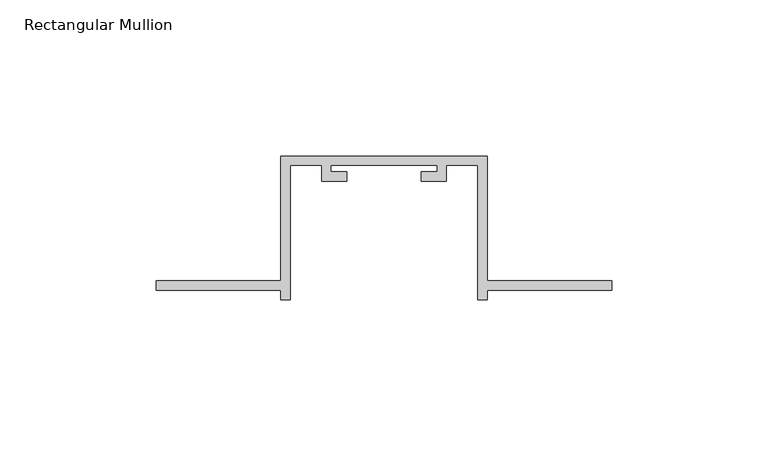
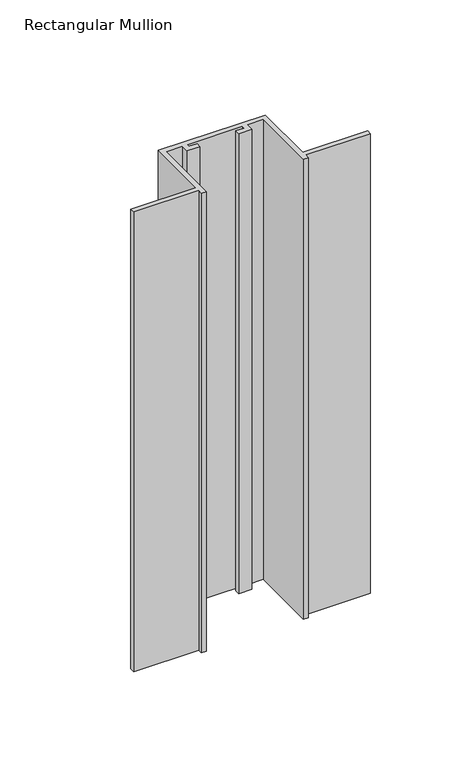
"""IFC4 building model written with IfcOpenShell, lengths in millimetres: member geometry, Rectangular Mullion."""

from ifc_helpers import new_model, si_unit, frame, origin, place, context, project, spatial, polyline, outline, extrude, source, transform, mapped, element, save


def rectangular_mullion_3ff636c8(model_context):
    return source(origin(), model_context, "Body", "SweptSolid", [
        extrude(outline(polyline([(-40.0, -132.0), (-40.0, -135.0), (-43.0, -135.0), (-43.0, -92.0), (-53.0, -92.0), (-53.0, -97.0), (-61.0, -97.0), (-61.0, -94.0), (-56.0, -94.0), (-56.0, -92.0), (-90.0, -92.0), (-90.0, -94.0), (-85.0, -94.0), (-85.0, -97.0), (-93.0, -97.0), (-93.0, -92.0), (-103.0, -92.0), (-103.0, -135.0), (-106.0, -135.0), (-106.0, -132.0), (-146.0, -132.0), (-146.0, -129.0), (-106.0, -129.0), (-106.0, -89.0), (-40.0, -89.0), (-40.0, -129.0), (0.0, -129.0), (0.0, -132.0), (-40.0, -132.0)])), frame((0.0, 0.0, -300.0), z_axis=(0.0, 0.0, 1.0), x_axis=(1.0, 0.0, 0.0)), (0.0, 0.0, 1.0), 300.0),
    ])


if __name__ == "__main__":
    model = new_model("IFC4")
    model_context = context("Model", 3, world=origin())
    ifc_project = project(units=[si_unit("LENGTHUNIT", "METRE", prefix="MILLI")], contexts=[model_context])
    site = spatial("IfcSite", under=ifc_project)
    building = spatial("IfcBuilding", under=site)
    placement = place(None, origin())
    rectangular_mullion_shape = rectangular_mullion_3ff636c8(model_context)
    element("IfcMember", 1, ObjectType="Rectangular Mullion", at=placement, inside=building, context=model_context, shape_type="MappedRepresentation", body=[
        mapped(rectangular_mullion_shape, transform((0.0, 0.0, 0.0), x_axis=(1.0, 0.0, 0.0), y_axis=(0.0, 1.0, 0.0), z_axis=(0.0, 0.0, 1.0))),
    ])
    save(model, "model.ifc")
